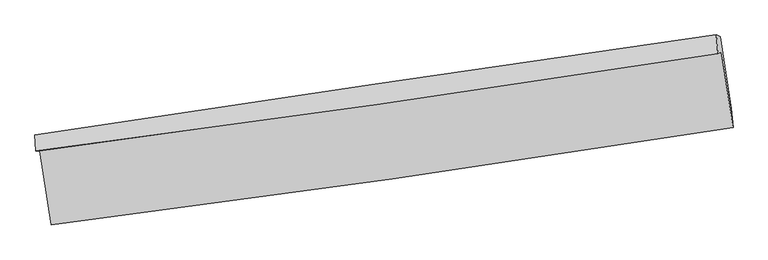
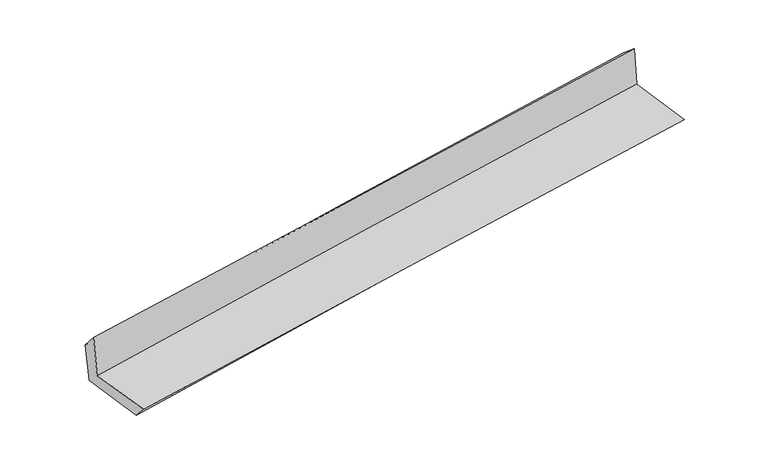
"""IFC4 building model written with IfcOpenShell, lengths in millimetres: proxy geometry."""

from ifc_helpers import new_model, si_unit, frame, origin, place, context, project, spatial, source, transform, mapped, element, save
from ifc_brep_helpers import plane_surface, spline_curve, spline_surface, advanced_brep


def generic_models_3f2c1e81(model_context):
    return source(origin(), model_context, "Body", "AdvancedBrep", [
        advanced_brep(
        [(-2997.324971, -1930.6549947, 1636.7631304), (-2899.022608, -2578.2518554, 1633.2656325), (3049.8455418, -1726.7658231, 2132.4348653), (2948.6111386, -1066.325046, 2147.6848616), (-3032.4375458, -1932.0658564, 2056.8808536), (2917.2219724, -1080.3385438, 2546.2044254), (-3039.9491097, -1793.5279272, 1896.8667886), (2903.9391624, -916.4338579, 2409.1692045), (-3005.5255464, -1811.3191655, 1519.5038401), (2938.2957981, -930.7673022, 2026.378728), (-2906.3756221, -2454.0776461, 1497.2183696), (3034.5994164, -1561.1282131, 2015.6295096)],
        [
            (0, 1),
            (1, 2, spline_curve(3, [(-2899.022608, -2578.2518554, 1633.2656325), (-1907.098690376, -2451.006580816, 1737.265952839), (-915.385722253, -2316.424878918, 1830.864304378), (1067.5703075, -2032.595490875, 1997.253041502), (2058.813389129, -1883.348515499, 2070.044434148), (3049.8455418, -1726.7658231, 2132.4348653)], [4, 2, 4], [0.0, 9.892943869937042, 19.785408729265455])),
            (2, 3),
            (3, 0, spline_curve(3, [(2948.6111386, -1066.325046, 2147.6848616), (1957.846024444, -1221.345757767, 2079.307347489), (966.980789862, -1370.881998374, 2002.543013014), (-1014.997903353, -1658.992512267, 1832.236581617), (-2006.111372352, -1797.56625463, 1738.693672106), (-2997.324971, -1930.6549947, 1636.7631304)], [4, 2, 4], [0.0, 9.892464859328413, 19.785408729265455])),
            (4, 0),
            (3, 5),
            (5, 4, spline_curve(3, [(2917.2219724, -1080.3385438, 2546.2044254), (1926.581499674, -1235.975517343, 2477.453777255), (935.468318196, -1384.769727184, 2402.302631148), (-1047.751475335, -1668.679494156, 2239.195393977), (-2039.858133381, -1803.794388456, 2151.238682742), (-3032.4375458, -1932.0658564, 2056.8808536)], [4, 2, 4], [0.0, 9.892181297248017, 19.78484159137409])),
            (6, 4),
            (5, 7),
            (7, 6, spline_curve(3, [(2903.9391624, -916.4338579, 2409.1692045), (1912.341790519, -1058.471348584, 2327.321672528), (921.231062168, -1202.579446924, 2243.707115194), (-1060.065075535, -1494.943936107, 2072.939814279), (-2050.25043783, -1643.200527693, 1985.786899805), (-3039.9491097, -1793.5279272, 1896.8667886)], [4, 2, 4], [0.0, 9.891770531376006, 19.784020039740057])),
            (8, 6),
            (7, 9),
            (9, 8, spline_curve(3, [(2938.2957981, -930.7673022, 2026.378728), (1946.735650642, -1074.53561979, 1947.203709913), (955.649112049, -1219.797288074, 1865.377713312), (-1025.624715276, -1513.314431063, 1696.419674364), (-2015.811958232, -1661.570050725, 1609.287374556), (-3005.5255464, -1811.3191655, 1519.5038401)], [4, 2, 4], [0.0, 9.891611379173291, 19.7837017276282])),
            (10, 8),
            (9, 11),
            (11, 10, spline_curve(3, [(3034.5994164, -1561.1282131, 2015.6295096), (2044.494266482, -1711.301777253, 1930.679251862), (1054.372424886, -1860.799226905, 1845.004258112), (-925.952586541, -2158.449103486, 1672.20061466), (-1916.155757656, -2306.601464766, 1585.071895404), (-2906.3756221, -2454.0776461, 1497.2183696)], [4, 2, 4], [0.0, 9.891554818524913, 19.783588603592673])),
            (1, 10),
            (11, 2),
        ],
        [
            spline_surface(3, 3, [[(-2997.324971, -1930.6549947, 1636.7631304), (-2006.111372311, -1797.566254648, 1738.693672104), (-1014.997903498, -1658.992512337, 1832.236581562), (966.980790007, -1370.881998304, 2002.543013069), (1957.846024392, -1221.345757685, 2079.307347339), (2948.6111386, -1066.325046, 2147.6848616)], [(-2964.557516655, -2146.520614947, 1635.597297773), (-1973.107144975, -2015.379696758, 1738.217765721), (-981.793843029, -1878.136634529, 1831.779155853), (1000.510629137, -1591.453162548, 2000.779689187), (1991.501812628, -1442.013343662, 2076.21970963), (2982.355939662, -1286.471971691, 2142.601529515)], [(-2931.790062345, -2362.386235153, 1634.431465127), (-1940.102917674, -2233.193138826, 1737.741859319), (-948.589782591, -2097.280756643, 1831.321730154), (1034.040468238, -1812.024326715, 1999.016365315), (2025.15760088, -1662.680929665, 2073.132071876), (3016.100740738, -1506.618897409, 2137.518197385)], [(-2899.022608, -2578.2518554, 1633.2656325), (-1907.098690338, -2451.006580936, 1737.265952936), (-915.385722122, -2316.424878834, 1830.864304446), (1067.570307369, -2032.595490959, 1997.253041434), (2058.813389117, -1883.348515643, 2070.044434167), (3049.8455418, -1726.7658231, 2132.4348653)]], [4, 4], [4, 2, 4], [0.0, 2.188759375123051], [0.0, 9.892943869937042, 19.785408729265455]),
            spline_surface(3, 3, [[(-3032.4375458, -1932.0658564, 2056.8808536), (-2039.858133494, -1803.794388316, 2151.238682696), (-1047.751475366, -1668.679494108, 2239.195393859), (935.468318227, -1384.769727231, 2402.302631266), (1926.581499553, -1235.975517206, 2477.453777365), (2917.2219724, -1080.3385438, 2546.2044254)], [(-3020.733354213, -1931.595569172, 1916.841612525), (-2028.609213112, -1801.718343765, 2013.723679157), (-1036.833618099, -1665.450500159, 2103.542456455), (945.972475465, -1380.140484229, 2269.049425229), (1937.003007847, -1231.098930704, 2344.738300682), (2927.685027815, -1075.667377871, 2413.364570792)], [(-3009.029162587, -1931.125281928, 1776.802371475), (-2017.360292693, -1799.642299198, 1876.208675643), (-1025.915760766, -1662.221506287, 1967.889518966), (956.476632769, -1375.511241305, 2135.796219107), (1947.424516097, -1226.222344187, 2212.022824022), (2938.148083185, -1070.996211929, 2280.524716208)], [(-2997.324971, -1930.6549947, 1636.7631304), (-2006.111372311, -1797.566254648, 1738.693672104), (-1014.997903498, -1658.992512337, 1832.236581562), (966.980790007, -1370.881998304, 2002.543013069), (1957.846024392, -1221.345757685, 2079.307347339), (2948.6111386, -1066.325046, 2147.6848616)]], [4, 4], [4, 2, 4], [0.0, 1.3281132858934919], [0.0, 9.892660294126072, 19.78484159137409]),
            spline_surface(3, 3, [[(-3039.9491097, -1793.5279272, 1896.8667886), (-2050.250437892, -1643.200527755, 1985.786899871), (-1060.065075599, -1494.943936126, 2072.939814317), (921.231062232, -1202.579446905, 2243.707115156), (1912.341790636, -1058.471348735, 2327.321672674), (2903.9391624, -916.4338579, 2409.1692045)], [(-3037.445255069, -1839.707236932, 1950.20481026), (-2046.786336429, -1696.731814607, 2040.937494139), (-1055.960542192, -1552.855788791, 2128.358340816), (925.976814227, -1263.309540351, 2296.572287178), (1917.088360243, -1117.63940489, 2377.365707566), (2908.366765702, -971.068753198, 2454.847611461)], [(-3034.941400431, -1885.886546668, 2003.54283194), (-2043.322234957, -1750.263101464, 2096.088088428), (-1051.856008774, -1610.767641444, 2183.77686736), (930.722566232, -1324.039633785, 2349.437459245), (1921.834929945, -1176.807461051, 2427.409742473), (2912.794369098, -1025.703648502, 2500.526018439)], [(-3032.4375458, -1932.0658564, 2056.8808536), (-2039.858133494, -1803.794388316, 2151.238682696), (-1047.751475366, -1668.679494108, 2239.195393859), (935.468318227, -1384.769727231, 2402.302631266), (1926.581499553, -1235.975517206, 2477.453777365), (2917.2219724, -1080.3385438, 2546.2044254)]], [4, 4], [4, 2, 4], [0.0, 0.7916897281080265], [0.0, 9.892249508364051, 19.784020039740057]),
            spline_surface(3, 3, [[(-3005.5255464, -1811.3191655, 1519.5038401), (-2015.811958083, -1661.570050788, 1609.287374562), (-1025.624715303, -1513.314431143, 1696.419674227), (955.649112076, -1219.797287994, 1865.377713449), (1946.735650772, -1074.535619886, 1947.203709768), (2938.2957981, -930.7673022, 2026.378728)], [(-3017.000067474, -1805.388752732, 1645.291489612), (-2027.291451327, -1655.446876442, 1734.787216344), (-1037.104835383, -1507.190932827, 1821.926387595), (944.176428814, -1214.058007655, 1991.487514022), (1935.271030742, -1069.180862857, 2073.909697424), (2926.843586215, -925.989487455, 2153.975553521)], [(-3028.474588626, -1799.458339968, 1771.079139088), (-2038.770944648, -1649.323702101, 1860.287058089), (-1048.584955519, -1501.067434441, 1947.43310095), (932.703745495, -1208.318727244, 2117.597314583), (1923.806410666, -1063.826105764, 2200.615685017), (2915.391374285, -921.211672645, 2281.572378979)], [(-3039.9491097, -1793.5279272, 1896.8667886), (-2050.250437892, -1643.200527755, 1985.786899871), (-1060.065075599, -1494.943936126, 2072.939814317), (921.231062232, -1202.579446905, 2243.707115156), (1912.341790636, -1058.471348735, 2327.321672674), (2903.9391624, -916.4338579, 2409.1692045)]], [4, 4], [4, 2, 4], [0.0, 1.244781216878627], [0.0, 9.892090348454907, 19.7837017276282]),
            spline_surface(3, 3, [[(-2906.3756221, -2454.0776461, 1497.2183696), (-1916.155757587, -2306.601464785, 1585.07189528), (-925.95258643, -2158.449103447, 1672.20061481), (1054.372424775, -1860.799226944, 1845.004257962), (2044.494266475, -1711.30177733, 1930.679251753), (3034.5994164, -1561.1282131, 2015.6295096)], [(-2939.425596881, -2239.824819217, 1504.646859767), (-1949.3744911, -2091.590993436, 1593.143721708), (-959.17662938, -1943.40421265, 1680.273634616), (1021.464653883, -1647.131913932, 1851.795409791), (2011.908061251, -1499.046391516, 1936.187404411), (3002.49821031, -1351.007909467, 2019.212582386)], [(-2972.475571619, -2025.571992383, 1512.075349933), (-1982.59322457, -1876.580522137, 1601.215548135), (-992.400672353, -1728.35932194, 1688.346654421), (988.556882968, -1433.464601007, 1858.58656162), (1979.321855996, -1286.7910057, 1941.69555711), (2970.39700419, -1140.887605833, 2022.795655214)], [(-3005.5255464, -1811.3191655, 1519.5038401), (-2015.811958083, -1661.570050788, 1609.287374562), (-1025.624715303, -1513.314431143, 1696.419674227), (955.649112076, -1219.797287994, 1865.377713449), (1946.735650772, -1074.535619886, 1947.203709768), (2938.2957981, -930.7673022, 2026.378728)]], [4, 4], [4, 2, 4], [0.0, 2.136011453548294], [0.0, 9.89203378506776, 19.783588603592673]),
            spline_surface(3, 3, [[(-2899.022608, -2578.2518554, 1633.2656325), (-1907.098690338, -2451.006580936, 1737.265952936), (-915.385722122, -2316.424878834, 1830.864304446), (1067.570307369, -2032.595490959, 1997.253041434), (2058.813389117, -1883.348515643, 2070.044434167), (3049.8455418, -1726.7658231, 2132.4348653)], [(-2901.473612708, -2536.860452301, 1587.916544863), (-1910.117712762, -2402.87154222, 1686.53460038), (-918.908010236, -2263.76628704, 1777.976407887), (1063.171013159, -1975.330069623, 1946.503446929), (2054.040348232, -1825.999602856, 2023.589373354), (3044.763499996, -1671.553286417, 2093.499746724)], [(-2903.924617392, -2495.469049199, 1542.567457237), (-1913.136735163, -2354.736503501, 1635.803247836), (-922.430298316, -2211.107695241, 1725.088511369), (1058.771718984, -1918.064648281, 1895.753852466), (2049.26730736, -1768.650690117, 1977.134312567), (3039.681458204, -1616.340749783, 2054.564628176)], [(-2906.3756221, -2454.0776461, 1497.2183696), (-1916.155757587, -2306.601464785, 1585.07189528), (-925.95258643, -2158.449103447, 1672.20061481), (1054.372424775, -1860.799226944, 1845.004257962), (2044.494266475, -1711.30177733, 1930.679251753), (3034.5994164, -1561.1282131, 2015.6295096)]], [4, 4], [4, 2, 4], [0.0, 0.7445061299305084], [0.0, 9.89234965314606, 19.78422032445512]),
            plane_surface(frame((2965.4188383, -1213.6264644, 2212.9169324), z_axis=(0.9853413643703056, 0.14912302713448447, 0.08285359641628467), x_axis=(-0.08933166691620917, 0.037268796605613254, 0.9953044208108095))),
            plane_surface(frame((-2980.1059005, -2083.3162409, 1706.7497691), z_axis=(-0.9853413643703673, -0.14912302713407335, -0.08285359641628966), x_axis=(-0.15007429765440544, 0.9886603031497984, 0.005339490545529972))),
        ],
        [
            (0, [[1, 2, 3, 4]]),
            (1, [[5, -4, 6, 7]]),
            (2, [[8, -7, 9, 10]]),
            (3, [[11, -10, 12, 13]]),
            (4, [[14, -13, 15, 16]]),
            (5, [[17, -16, 18, -2]]),
            (6, [[-12, -9, -6, -3, -18, -15]]),
            (7, [[-1, -5, -8, -11, -14, -17]]),
        ],
    ),
    ])


if __name__ == "__main__":
    model = new_model("IFC4")
    model_context = context("Model", 3, world=origin())
    ifc_project = project(units=[si_unit("LENGTHUNIT", "METRE", prefix="MILLI")], contexts=[model_context])
    site = spatial("IfcSite", under=ifc_project)
    building = spatial("IfcBuilding", under=site)
    placement = place(None, origin())
    generic_models_shape = generic_models_3f2c1e81(model_context)
    element("IfcBuildingElementProxy", 1, Name="Generic Models", at=placement, inside=building, context=model_context, shape_type="MappedRepresentation", body=[
        mapped(generic_models_shape, transform((0.0, 0.0, 0.0), x_axis=(1.0, 0.0, 0.0), y_axis=(0.0, 1.0, 0.0), z_axis=(0.0, 0.0, 1.0))),
    ])
    save(model, "model.ifc")
